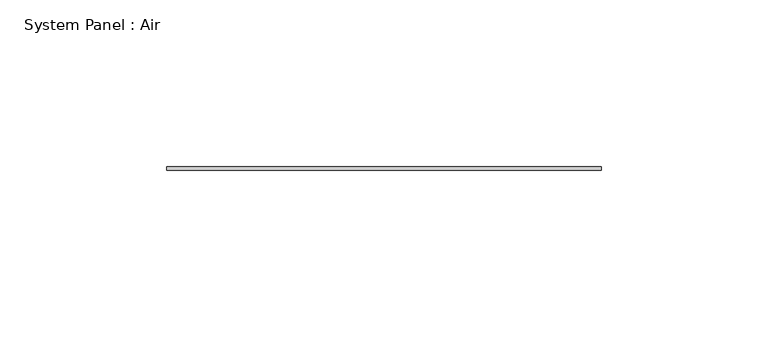
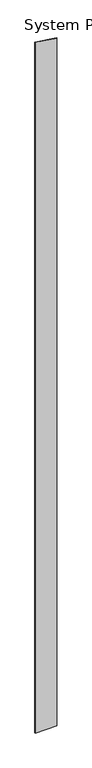
"""IFC4 building model written with IfcOpenShell, lengths in millimetres: plate geometry, System Panel : Air."""

import ifcopenshell
import ifcopenshell.guid

model = None  # the IFC model being written
_history = None  # IfcOwnerHistory: only IFC2X3 demands one
_inside = {}  # id of a spatial element -> (the spatial element, [elements in it])
_under = {}  # id of a project, library or spatial element -> (it, [spatial elements below it])
_declared = {}  # id of a project -> (the project, [libraries it declares])
_typed = {}  # id of a type object -> (the type object, [elements of that type])
_made_of = {}  # id of a material, layer set ... -> (it, [elements and type objects made of it])


def new_model(schema):
    """Start an empty IFC model of exactly this schema.

    Asked for "IFC4X3", IfcOpenShell would pick the latest addendum, in which some entities
    have other attributes; the version numbers below select the first issue.
    IFC2X3 requires an IfcOwnerHistory on every rooted entity: one is made here for all.
    """
    global model, _history
    if schema == "IFC4X3":
        model = ifcopenshell.file(schema_version=(4, 3, 0, 0))
    else:
        model = ifcopenshell.file(schema=schema)
    _inside.clear()
    _under.clear()
    _declared.clear()
    _typed.clear()
    _made_of.clear()
    _history = None
    if model.schema == "IFC2X3":
        org = make("IfcOrganization", Name="unknown")
        user = make(
            "IfcPersonAndOrganization",
            ThePerson=make("IfcPerson", FamilyName="unknown"),
            TheOrganization=org,
        )
        app = make(
            "IfcApplication",
            ApplicationDeveloper=org,
            Version="unknown",
            ApplicationFullName="unknown",
            ApplicationIdentifier="unknown",
        )
        _history = make(
            "IfcOwnerHistory",
            OwningUser=user,
            OwningApplication=app,
            ChangeAction="ADDED",
            CreationDate=0,
        )
    return model


def make(cls, **values):
    """One entity of the class cls with the attributes given. An attribute that is None is left unset."""
    return model.create_entity(
        cls, **{name: value for name, value in values.items() if value is not None}
    )


def rooted(cls, **values):
    """An entity with a GlobalId (a new one), such as an element, a storey or a relation."""
    return make(cls, GlobalId=ifcopenshell.guid.new(), OwnerHistory=_history, **values)


def si_unit(unit_type, name, prefix=None):
    """IfcSIUnit, for example si_unit("LENGTHUNIT", "METRE", prefix="MILLI")."""
    return make("IfcSIUnit", UnitType=unit_type, Prefix=prefix, Name=name)


def assignment(units):
    """IfcUnitAssignment: the units of a project."""
    return None if units is None else make("IfcUnitAssignment", Units=units)


def point(xyz):
    """IfcCartesianPoint."""
    return None if xyz is None else make("IfcCartesianPoint", Coordinates=xyz)


def direction(xyz):
    """IfcDirection."""
    return None if xyz is None else make("IfcDirection", DirectionRatios=xyz)


def frame(location, z_axis=None, x_axis=None):
    """IfcAxis2Placement3D, a coordinate frame: its origin and axes. An axis left out is left unset."""
    return make(
        "IfcAxis2Placement3D",
        Location=point(location),
        Axis=direction(z_axis),
        RefDirection=direction(x_axis),
    )


def origin():
    """The frame at (0, 0, 0) with its axes left unset."""
    return frame((0.0, 0.0, 0.0))


def place(relative_to, where):
    """IfcLocalPlacement: puts the frame where relative to a parent placement (None: the world)."""
    return make(
        "IfcLocalPlacement", PlacementRelTo=relative_to, RelativePlacement=where
    )


def context(
    kind, dimensions, precision=None, world=None, true_north=None, identifier=None
):
    """IfcGeometricRepresentationContext, for example the 3D "Model" context."""
    return make(
        "IfcGeometricRepresentationContext",
        ContextIdentifier=identifier,
        ContextType=kind,
        CoordinateSpaceDimension=dimensions,
        Precision=precision,
        WorldCoordinateSystem=world,
        TrueNorth=true_north,
    )


def project(units=None, contexts=None):
    """IfcProject with its units and contexts."""
    return rooted(
        "IfcProject",
        Name="project",
        RepresentationContexts=contexts,
        UnitsInContext=assignment(units),
    )


def spatial(cls, under=None, at=None, **own):
    """A site, building, storey or space (cls), placed at a placement, below another one or the project."""
    s = rooted(cls, ObjectPlacement=at, **own)
    if under is not None:
        _under.setdefault(under.id(), (under, []))[1].append(s)
    return s


def polyline(points):
    """IfcPolyline through the points."""
    return make("IfcPolyline", Points=[point(p) for p in points])


def outline(outer, holes=None, kind="AREA"):
    """IfcArbitraryClosedProfileDef: a profile drawn as a closed curve; with holes, ...WithVoids."""
    if holes is None:
        return make("IfcArbitraryClosedProfileDef", ProfileType=kind, OuterCurve=outer)
    return make(
        "IfcArbitraryProfileDefWithVoids",
        ProfileType=kind,
        OuterCurve=outer,
        InnerCurves=holes,
    )


def extrude(swept, where, along, depth):
    """IfcExtrudedAreaSolid: the profile swept, set in the frame where, extruded along a direction by depth."""
    return make(
        "IfcExtrudedAreaSolid",
        SweptArea=swept,
        Position=where,
        ExtrudedDirection=direction(along),
        Depth=depth,
    )


def shape(context_of_items, identifier, shape_type, items):
    """IfcShapeRepresentation: the items that make up one representation, for example the "Body"."""
    return make(
        "IfcShapeRepresentation",
        ContextOfItems=context_of_items,
        RepresentationIdentifier=identifier,
        RepresentationType=shape_type,
        Items=items,
    )


def source(mapping_origin, context_of_items, identifier, shape_type, items):
    """IfcRepresentationMap: a shape defined once, which mapped items show again and again."""
    return make(
        "IfcRepresentationMap",
        MappingOrigin=mapping_origin,
        MappedRepresentation=shape(context_of_items, identifier, shape_type, items),
    )


def transform(
    local_origin,
    x_axis=None,
    y_axis=None,
    z_axis=None,
    scale=None,
    scale2=None,
    scale3=None,
    uniform=True,
):
    """IfcCartesianTransformationOperator3D, or its non-uniform kind. x_axis, y_axis, z_axis: its Axis1, 2, 3."""
    if uniform:
        return make(
            "IfcCartesianTransformationOperator3D",
            Axis1=direction(x_axis),
            Axis2=direction(y_axis),
            LocalOrigin=point(local_origin),
            Scale=scale,
            Axis3=direction(z_axis),
        )
    return make(
        "IfcCartesianTransformationOperator3DnonUniform",
        Axis1=direction(x_axis),
        Axis2=direction(y_axis),
        LocalOrigin=point(local_origin),
        Scale=scale,
        Axis3=direction(z_axis),
        Scale2=scale2,
        Scale3=scale3,
    )


def mapped(mapping_source, mapping_target):
    """IfcMappedItem: shows the shape of a source again, moved by a transform."""
    return make(
        "IfcMappedItem", MappingSource=mapping_source, MappingTarget=mapping_target
    )


def made_of(thing, what):
    """Note that an element or type object is made of a material, layer set ...; save() writes the relation."""
    if what is not None:
        _made_of.setdefault(what.id(), (what, []))[1].append(thing)
    return thing


def element(
    cls,
    number,
    at=None,
    inside=None,
    cuts=None,
    type_object=None,
    material=None,
    context=None,
    identifier="Body",
    shape_type=None,
    held_by="IfcProductDefinitionShape",
    body=None,
    shapes=None,
    **own,
):
    """One element of the class cls, such as IfcWall. Its Tag is "e" and its number.

    at: its placement. inside: the storey or other place that contains it. cuts: it is an
    opening in that element (IfcRelVoidsElement). A single representation is given by context,
    identifier, shape_type and body (its items); several are given by shapes. held_by: the class
    of the entity that holds the representations. save() writes the other relations.
    """
    e = rooted(cls, Tag="e%d" % number, ObjectPlacement=at, **own)
    if body is not None:
        shapes = [shape(context, identifier, shape_type, body)]
    if shapes is not None:
        e.Representation = make(held_by, Representations=shapes)
    if inside is not None:
        _inside.setdefault(inside.id(), (inside, []))[1].append(e)
    if cuts is not None:
        rooted(
            "IfcRelVoidsElement", RelatingBuildingElement=cuts, RelatedOpeningElement=e
        )
    if type_object is not None:
        _typed.setdefault(type_object.id(), (type_object, []))[1].append(e)
    return made_of(e, material)


def aggregate(whole, parts):
    """IfcRelAggregates: a whole, such as a stair, and the parts it consists of."""
    return rooted("IfcRelAggregates", RelatingObject=whole, RelatedObjects=parts)


def save(model, path):
    """Write the relations noted so far, then the file.

    IfcRelAggregates (storeys below a building ...), IfcRelContainedInSpatialStructure (elements
    in a storey), IfcRelDefinesByType, IfcRelAssociatesMaterial and IfcRelDeclares: one each for
    every whole, place, type object, material and project.
    """
    for whole, parts in _under.values():
        aggregate(whole, parts)
    for where, things in _inside.values():
        rooted(
            "IfcRelContainedInSpatialStructure",
            RelatedElements=things,
            RelatingStructure=where,
        )
    for kind, things in _typed.values():
        rooted("IfcRelDefinesByType", RelatedObjects=things, RelatingType=kind)
    for what, things in _made_of.values():
        rooted("IfcRelAssociatesMaterial", RelatedObjects=things, RelatingMaterial=what)
    for by, libraries in _declared.values():
        rooted("IfcRelDeclares", RelatingContext=by, RelatedDefinitions=libraries)
    model.write(path)


def system_panel_air_d0104bf4(model_context):
    return source(origin(), model_context, "Body", "SweptSolid", [
        extrude(outline(polyline([(0.0, -65.0), (0.0, 65.0), (4326.4629836, 65.0), (4345.7141435, -65.0), (0.0, -65.0)])), frame((0.0, 36.5, 0.0), z_axis=(0.0, 1.0, 0.0), x_axis=(0.0, 0.0, 1.0)), (0.0, 0.0, 1.0), 1.0),
    ])


if __name__ == "__main__":
    model = new_model("IFC4")
    model_context = context("Model", 3, world=origin())
    ifc_project = project(units=[si_unit("LENGTHUNIT", "METRE", prefix="MILLI")], contexts=[model_context])
    site = spatial("IfcSite", under=ifc_project)
    building = spatial("IfcBuilding", under=site)
    placement = place(None, origin())
    system_panel_air_shape = system_panel_air_d0104bf4(model_context)
    element("IfcPlate", 1, ObjectType="System Panel : Air", at=placement, inside=building, context=model_context, shape_type="MappedRepresentation", body=[
        mapped(system_panel_air_shape, transform((0.0, 0.0, 0.0), x_axis=(1.0, 0.0, 0.0), y_axis=(0.0, 1.0, 0.0), z_axis=(0.0, 0.0, 1.0))),
    ])
    save(model, "model.ifc")
